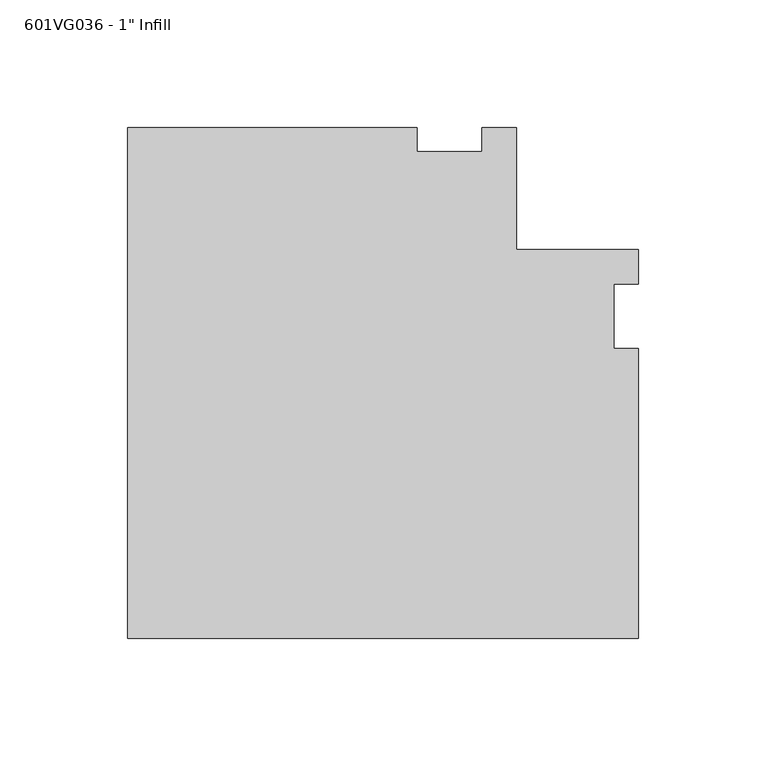
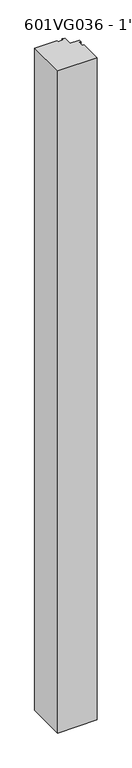
"""IFC4 building model written with IfcOpenShell, lengths in millimetres: proxy geometry."""

from ifc_helpers import new_model, si_unit, frame, origin, place, context, project, spatial, polyline, outline, extrude, source, transform, mapped, element, save


def proxy_8a80514d(model_context):
    return source(origin(), model_context, "Body", "SweptSolid", [
        extrude(outline(polyline([(-126.20625, -126.20625), (-126.20625, 73.97115), (-12.7, 73.97115), (-12.7, 64.44615), (12.7, 64.44615), (12.7, 73.97115), (26.1919183, 73.97115), (26.1919183, 26.19375), (73.97115, 26.19375), (73.97115, 12.7), (64.44615, 12.7), (64.44615, -12.7), (73.97115, -12.7), (73.97115, -126.20625), (-126.20625, -126.20625)])), frame((0.0, 0.0, 50.8), z_axis=(0.0, 0.0, 1.0), x_axis=(1.0, 0.0, 0.0)), (0.0, 0.0, 1.0), 3543.3),
    ])


if __name__ == "__main__":
    model = new_model("IFC4")
    model_context = context("Model", 3, world=origin())
    ifc_project = project(units=[si_unit("LENGTHUNIT", "METRE", prefix="MILLI")], contexts=[model_context])
    site = spatial("IfcSite", under=ifc_project)
    building = spatial("IfcBuilding", under=site)
    placement = place(None, origin())
    proxy_shape = proxy_8a80514d(model_context)
    element("IfcBuildingElementProxy", 1, Name="601VG036 - 1\" Infill", ObjectType="601VG036 - 1\" Infill", at=placement, inside=building, context=model_context, shape_type="MappedRepresentation", body=[
        mapped(proxy_shape, transform((0.0, 0.0, 0.0), x_axis=(1.0, 0.0, 0.0), y_axis=(0.0, 1.0, 0.0), z_axis=(0.0, 0.0, 1.0))),
    ])
    save(model, "model.ifc")
